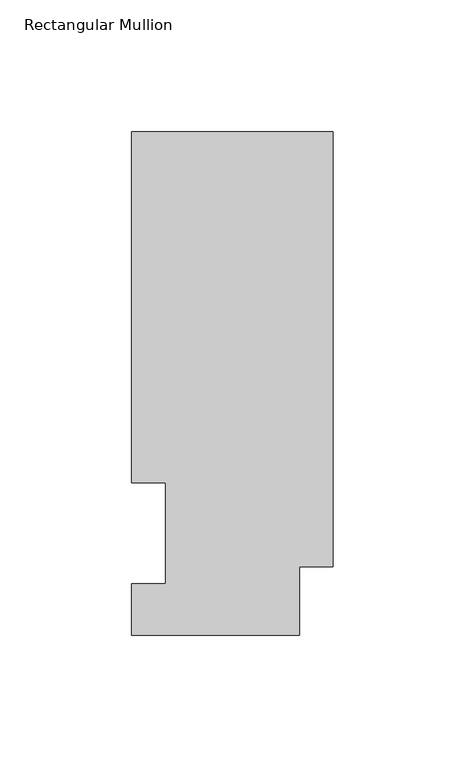
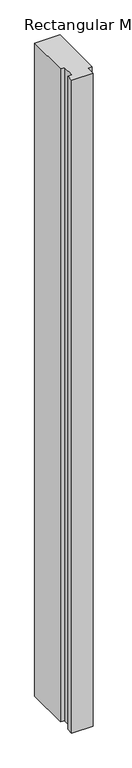
"""IFC4 building model written with IfcOpenShell, lengths in millimetres: member geometry, Rectangular Mullion."""

from ifc_helpers import new_model, si_unit, frame, origin, place, context, project, spatial, polyline, outline, extrude, source, transform, mapped, element, save


def rectangular_mullion_e6ffb1ec(model_context):
    return source(origin(), model_context, "Body", "SweptSolid", [
        extrude(outline(polyline([(-76.2, 190.5896937), (0.0, 190.5896937), (0.0, 25.8960938), (-12.7, 25.8960938), (-12.7, 0.0134937), (-76.2, 0.0134937), (-76.2, 19.5460937), (-63.5, 19.5460937), (-63.5, 57.6460937), (-76.2, 57.6460937), (-76.2, 190.5896937)])), frame((0.0, 0.0, -2057.4), z_axis=(0.0, 0.0, 1.0), x_axis=(1.0, 0.0, 0.0)), (0.0, 0.0, 1.0), 2057.4),
    ])


if __name__ == "__main__":
    model = new_model("IFC4")
    model_context = context("Model", 3, world=origin())
    ifc_project = project(units=[si_unit("LENGTHUNIT", "METRE", prefix="MILLI")], contexts=[model_context])
    site = spatial("IfcSite", under=ifc_project)
    building = spatial("IfcBuilding", under=site)
    placement = place(None, origin())
    rectangular_mullion_shape = rectangular_mullion_e6ffb1ec(model_context)
    element("IfcMember", 1, ObjectType="Rectangular Mullion", at=placement, inside=building, context=model_context, shape_type="MappedRepresentation", body=[
        mapped(rectangular_mullion_shape, transform((0.0, 0.0, 0.0), x_axis=(1.0, 0.0, 0.0), y_axis=(0.0, 1.0, 0.0), z_axis=(0.0, 0.0, 1.0))),
    ])
    save(model, "model.ifc")
